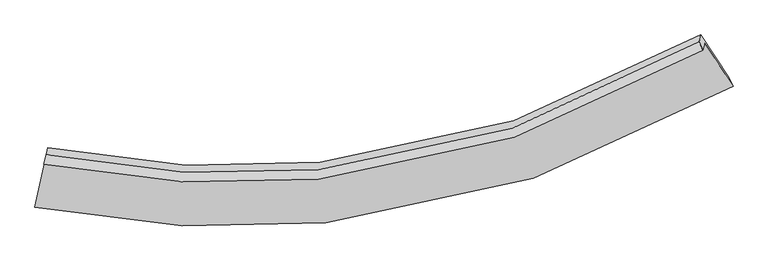
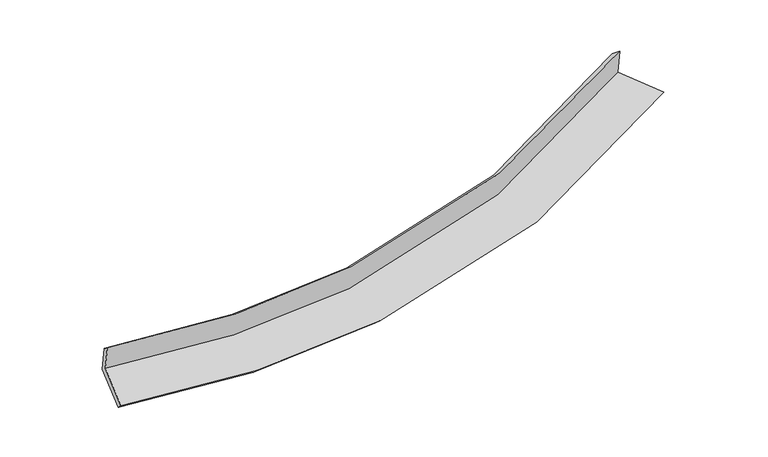
"""IFC4 building model written with IfcOpenShell, lengths in millimetres: proxy geometry."""

import ifcopenshell
import ifcopenshell.guid

model = None  # the IFC model being written
_history = None  # IfcOwnerHistory: only IFC2X3 demands one
_inside = {}  # id of a spatial element -> (the spatial element, [elements in it])
_under = {}  # id of a project, library or spatial element -> (it, [spatial elements below it])
_declared = {}  # id of a project -> (the project, [libraries it declares])
_typed = {}  # id of a type object -> (the type object, [elements of that type])
_made_of = {}  # id of a material, layer set ... -> (it, [elements and type objects made of it])


def new_model(schema):
    """Start an empty IFC model of exactly this schema.

    Asked for "IFC4X3", IfcOpenShell would pick the latest addendum, in which some entities
    have other attributes; the version numbers below select the first issue.
    IFC2X3 requires an IfcOwnerHistory on every rooted entity: one is made here for all.
    """
    global model, _history
    if schema == "IFC4X3":
        model = ifcopenshell.file(schema_version=(4, 3, 0, 0))
    else:
        model = ifcopenshell.file(schema=schema)
    _inside.clear()
    _under.clear()
    _declared.clear()
    _typed.clear()
    _made_of.clear()
    _history = None
    if model.schema == "IFC2X3":
        org = make("IfcOrganization", Name="unknown")
        user = make(
            "IfcPersonAndOrganization",
            ThePerson=make("IfcPerson", FamilyName="unknown"),
            TheOrganization=org,
        )
        app = make(
            "IfcApplication",
            ApplicationDeveloper=org,
            Version="unknown",
            ApplicationFullName="unknown",
            ApplicationIdentifier="unknown",
        )
        _history = make(
            "IfcOwnerHistory",
            OwningUser=user,
            OwningApplication=app,
            ChangeAction="ADDED",
            CreationDate=0,
        )
    return model


def make(cls, **values):
    """One entity of the class cls with the attributes given. An attribute that is None is left unset."""
    return model.create_entity(
        cls, **{name: value for name, value in values.items() if value is not None}
    )


def rooted(cls, **values):
    """An entity with a GlobalId (a new one), such as an element, a storey or a relation."""
    return make(cls, GlobalId=ifcopenshell.guid.new(), OwnerHistory=_history, **values)


def si_unit(unit_type, name, prefix=None):
    """IfcSIUnit, for example si_unit("LENGTHUNIT", "METRE", prefix="MILLI")."""
    return make("IfcSIUnit", UnitType=unit_type, Prefix=prefix, Name=name)


def assignment(units):
    """IfcUnitAssignment: the units of a project."""
    return None if units is None else make("IfcUnitAssignment", Units=units)


def point(xyz):
    """IfcCartesianPoint."""
    return None if xyz is None else make("IfcCartesianPoint", Coordinates=xyz)


def direction(xyz):
    """IfcDirection."""
    return None if xyz is None else make("IfcDirection", DirectionRatios=xyz)


def frame(location, z_axis=None, x_axis=None):
    """IfcAxis2Placement3D, a coordinate frame: its origin and axes. An axis left out is left unset."""
    return make(
        "IfcAxis2Placement3D",
        Location=point(location),
        Axis=direction(z_axis),
        RefDirection=direction(x_axis),
    )


def origin():
    """The frame at (0, 0, 0) with its axes left unset."""
    return frame((0.0, 0.0, 0.0))


def place(relative_to, where):
    """IfcLocalPlacement: puts the frame where relative to a parent placement (None: the world)."""
    return make(
        "IfcLocalPlacement", PlacementRelTo=relative_to, RelativePlacement=where
    )


def context(
    kind, dimensions, precision=None, world=None, true_north=None, identifier=None
):
    """IfcGeometricRepresentationContext, for example the 3D "Model" context."""
    return make(
        "IfcGeometricRepresentationContext",
        ContextIdentifier=identifier,
        ContextType=kind,
        CoordinateSpaceDimension=dimensions,
        Precision=precision,
        WorldCoordinateSystem=world,
        TrueNorth=true_north,
    )


def project(units=None, contexts=None):
    """IfcProject with its units and contexts."""
    return rooted(
        "IfcProject",
        Name="project",
        RepresentationContexts=contexts,
        UnitsInContext=assignment(units),
    )


def spatial(cls, under=None, at=None, **own):
    """A site, building, storey or space (cls), placed at a placement, below another one or the project."""
    s = rooted(cls, ObjectPlacement=at, **own)
    if under is not None:
        _under.setdefault(under.id(), (under, []))[1].append(s)
    return s


def shape(context_of_items, identifier, shape_type, items):
    """IfcShapeRepresentation: the items that make up one representation, for example the "Body"."""
    return make(
        "IfcShapeRepresentation",
        ContextOfItems=context_of_items,
        RepresentationIdentifier=identifier,
        RepresentationType=shape_type,
        Items=items,
    )


def source(mapping_origin, context_of_items, identifier, shape_type, items):
    """IfcRepresentationMap: a shape defined once, which mapped items show again and again."""
    return make(
        "IfcRepresentationMap",
        MappingOrigin=mapping_origin,
        MappedRepresentation=shape(context_of_items, identifier, shape_type, items),
    )


def transform(
    local_origin,
    x_axis=None,
    y_axis=None,
    z_axis=None,
    scale=None,
    scale2=None,
    scale3=None,
    uniform=True,
):
    """IfcCartesianTransformationOperator3D, or its non-uniform kind. x_axis, y_axis, z_axis: its Axis1, 2, 3."""
    if uniform:
        return make(
            "IfcCartesianTransformationOperator3D",
            Axis1=direction(x_axis),
            Axis2=direction(y_axis),
            LocalOrigin=point(local_origin),
            Scale=scale,
            Axis3=direction(z_axis),
        )
    return make(
        "IfcCartesianTransformationOperator3DnonUniform",
        Axis1=direction(x_axis),
        Axis2=direction(y_axis),
        LocalOrigin=point(local_origin),
        Scale=scale,
        Axis3=direction(z_axis),
        Scale2=scale2,
        Scale3=scale3,
    )


def mapped(mapping_source, mapping_target):
    """IfcMappedItem: shows the shape of a source again, moved by a transform."""
    return make(
        "IfcMappedItem", MappingSource=mapping_source, MappingTarget=mapping_target
    )


def made_of(thing, what):
    """Note that an element or type object is made of a material, layer set ...; save() writes the relation."""
    if what is not None:
        _made_of.setdefault(what.id(), (what, []))[1].append(thing)
    return thing


def element(
    cls,
    number,
    at=None,
    inside=None,
    cuts=None,
    type_object=None,
    material=None,
    context=None,
    identifier="Body",
    shape_type=None,
    held_by="IfcProductDefinitionShape",
    body=None,
    shapes=None,
    **own,
):
    """One element of the class cls, such as IfcWall. Its Tag is "e" and its number.

    at: its placement. inside: the storey or other place that contains it. cuts: it is an
    opening in that element (IfcRelVoidsElement). A single representation is given by context,
    identifier, shape_type and body (its items); several are given by shapes. held_by: the class
    of the entity that holds the representations. save() writes the other relations.
    """
    e = rooted(cls, Tag="e%d" % number, ObjectPlacement=at, **own)
    if body is not None:
        shapes = [shape(context, identifier, shape_type, body)]
    if shapes is not None:
        e.Representation = make(held_by, Representations=shapes)
    if inside is not None:
        _inside.setdefault(inside.id(), (inside, []))[1].append(e)
    if cuts is not None:
        rooted(
            "IfcRelVoidsElement", RelatingBuildingElement=cuts, RelatedOpeningElement=e
        )
    if type_object is not None:
        _typed.setdefault(type_object.id(), (type_object, []))[1].append(e)
    return made_of(e, material)


def aggregate(whole, parts):
    """IfcRelAggregates: a whole, such as a stair, and the parts it consists of."""
    return rooted("IfcRelAggregates", RelatingObject=whole, RelatedObjects=parts)


def save(model, path):
    """Write the relations noted so far, then the file.

    IfcRelAggregates (storeys below a building ...), IfcRelContainedInSpatialStructure (elements
    in a storey), IfcRelDefinesByType, IfcRelAssociatesMaterial and IfcRelDeclares: one each for
    every whole, place, type object, material and project.
    """
    for whole, parts in _under.values():
        aggregate(whole, parts)
    for where, things in _inside.values():
        rooted(
            "IfcRelContainedInSpatialStructure",
            RelatedElements=things,
            RelatingStructure=where,
        )
    for kind, things in _typed.values():
        rooted("IfcRelDefinesByType", RelatedObjects=things, RelatingType=kind)
    for what, things in _made_of.values():
        rooted("IfcRelAssociatesMaterial", RelatedObjects=things, RelatingMaterial=what)
    for by, libraries in _declared.values():
        rooted("IfcRelDeclares", RelatingContext=by, RelatedDefinitions=libraries)
    model.write(path)


def plane_surface(at):
    """IfcPlane: the flat surface through the origin of the frame at, square to its z axis."""
    return make("IfcPlane", Position=at)


def spline_curve(degree, points, multiplicities, knots, weights=None):
    """IfcBSplineCurveWithKnots; with weights, IfcRationalBSplineCurveWithKnots."""
    own = dict(
        Degree=degree,
        ControlPointsList=[point(p) for p in points],
        CurveForm="UNSPECIFIED",
        ClosedCurve=False,
        SelfIntersect=False,
        KnotMultiplicities=multiplicities,
        Knots=knots,
        KnotSpec="UNSPECIFIED",
    )
    if weights is None:
        return make("IfcBSplineCurveWithKnots", **own)
    return make("IfcRationalBSplineCurveWithKnots", WeightsData=weights, **own)


def spline_surface(u_degree, v_degree, points, u_multiplicities, v_multiplicities, u_knots, v_knots, weights=None):
    """IfcBSplineSurfaceWithKnots; with weights, IfcRationalBSplineSurfaceWithKnots. points: one row for each step in u."""
    own = dict(
        UDegree=u_degree,
        VDegree=v_degree,
        ControlPointsList=[[point(p) for p in row] for row in points],
        SurfaceForm="UNSPECIFIED",
        UClosed=False,
        VClosed=False,
        SelfIntersect=False,
        UMultiplicities=u_multiplicities,
        VMultiplicities=v_multiplicities,
        UKnots=u_knots,
        VKnots=v_knots,
        KnotSpec="UNSPECIFIED",
    )
    if weights is None:
        return make("IfcBSplineSurfaceWithKnots", **own)
    return make("IfcRationalBSplineSurfaceWithKnots", WeightsData=weights, **own)


def advanced_brep(points, edges, surfaces, faces):
    """IfcAdvancedBrep: a solid bounded by faces that lie on surfaces and meet in shared edges.

    An edge is (start, end): straight between two places in points (the first is 0);
    or (start, end, curve); or (start, end, curve, False) where it runs against its curve.
    A face is (place in surfaces, loops), or (place, loops, False) where it looks against
    its surface's normal. A loop lists edges by number (the first is 1), with a minus sign
    where the edge is run from its end to its start. The first loop is the outer one.
    """
    corners = [point(p) for p in points]
    vertices = [make("IfcVertexPoint", VertexGeometry=c) for c in corners]
    made = []
    for start, end, *more in edges:
        made.append(
            make(
                "IfcEdgeCurve",
                EdgeStart=vertices[start],
                EdgeEnd=vertices[end],
                EdgeGeometry=more[0] if more else make("IfcPolyline", Points=[corners[start], corners[end]]),
                SameSense=more[1] if len(more) > 1 else True,
            )
        )
    hull = []
    for where, loops, *sense in faces:
        bounds = []
        for j, loop in enumerate(loops):
            ring = [make("IfcOrientedEdge", EdgeElement=made[abs(k) - 1], Orientation=k > 0) for k in loop]
            bounds.append(
                make(
                    "IfcFaceOuterBound" if j == 0 else "IfcFaceBound",
                    Bound=make("IfcEdgeLoop", EdgeList=ring),
                    Orientation=True,
                )
            )
        hull.append(make("IfcAdvancedFace", Bounds=bounds, FaceSurface=surfaces[where], SameSense=sense[0] if sense else True))
    return make("IfcAdvancedBrep", Outer=make("IfcClosedShell", CfsFaces=hull))


def generic_models_8a4b3543(model_context):
    return source(origin(), model_context, "Body", "AdvancedBrep", [
        advanced_brep(
        [(-3980.1085935, -1899.9416791, 1615.623977), (-4116.5443157, -2532.3254715, 1461.403001), (4748.6911992, -997.3454507, 2306.6506554), (4389.1596281, -449.2770473, 2412.2094072), (-4002.3628111, -1987.4172765, 1994.0058401), (4366.1147024, -539.860715, 2804.035448), (-3975.3078379, -1866.566978, 1907.431679), (4317.7132473, -432.8350252, 2716.4236236), (-3952.0485912, -1775.1408698, 1511.9616027), (4340.570933, -342.9873497, 2327.7811694), (-4089.514017, -2412.29737, 1356.5766948), (4691.8388325, -878.4586472, 2224.648638)],
        [
            (0, 1),
            (1, 2, spline_curve(3, [(-4116.5443157, -2532.3254715, 1461.403001), (-2856.808596878, -2778.621607064, 1466.047508074), (-1625.400617863, -2842.906309584, 1514.462712471), (1363.786515455, -2550.401107817, 1743.508875492), (3087.457041571, -1974.456398124, 1976.842889041), (4748.6911992, -997.3454507, 2306.6506554)], [4, 2, 4], [0.0, 11.814312395536811, 29.353977782160918])),
            (2, 3),
            (3, 0, spline_curve(3, [(4389.1596281, -449.2770473, 2412.2094072), (2820.944681746, -1371.917957578, 2100.465056422), (1193.737893446, -1915.905242038, 1880.192503229), (-1628.245084217, -2192.603824809, 1664.634542901), (-2790.794369387, -2132.171417477, 1619.378619038), (-3980.1085935, -1899.9416791, 1615.623977)], [4, 2, 4], [0.0, 17.539665386624108, 29.353977782160918])),
            (4, 0),
            (3, 5),
            (5, 4, spline_curve(3, [(4366.1147024, -539.860715, 2804.035448), (2797.312807349, -1464.808771182, 2502.270820629), (1169.963887552, -2009.35473537, 2284.414874307), (-1651.512518662, -2284.062117114, 2060.24383474), (-2813.65610403, -2222.035007243, 2008.089911391), (-4002.3628111, -1987.4172765, 1994.0058401)], [4, 2, 4], [0.0, 17.034952460847386, 28.50930191845159])),
            (6, 4),
            (5, 7),
            (7, 6, spline_curve(3, [(4317.7132473, -432.8350252, 2716.4236236), (2763.921835616, -1351.969234565, 2409.247775581), (1151.594448606, -1892.529974538, 2189.337428939), (-1644.72377979, -2163.628119852, 1967.34608843), (-2796.736754031, -2100.978030665, 1917.592453247), (-3975.3078379, -1866.566978, 1907.431679)], [4, 2, 4], [0.0, 16.96050466815774, 28.384707816775663])),
            (8, 6),
            (7, 9),
            (9, 8, spline_curve(3, [(4340.570933, -342.9873497, 2327.7811694), (2787.289225492, -1260.118043281, 2011.938972843), (1175.214772894, -1799.684562744, 1787.72805404), (-1621.109873147, -2070.807935546, 1565.845837768), (-2773.241928708, -2008.625922908, 1518.116900945), (-3952.0485912, -1775.1408698, 1511.9616027)], [4, 2, 4], [0.0, 16.886162705317815, 28.26029082948527])),
            (10, 8),
            (9, 11),
            (11, 10, spline_curve(3, [(4691.8388325, -878.4586472, 2224.648638), (3050.833402901, -1860.777778543, 1888.576559703), (1345.287449986, -2438.682837162, 1650.004958439), (-1617.088282508, -2729.033333106, 1413.911593548), (-2838.659946023, -2662.407848672, 1363.12587979), (-4089.514017, -2412.29737, 1356.5766948)], [4, 2, 4], [0.0, 17.390895049372276, 29.104999191174507])),
            (1, 10),
            (11, 2),
        ],
        [
            spline_surface(3, 3, [[(-3980.1085935, -1899.9416791, 1615.623977), (-2790.794369455, -2132.171417416, 1619.378619133), (-1628.245084221, -2192.603824799, 1664.634542902), (1193.737893451, -1915.905242053, 1880.192503227), (2820.944682032, -1371.917957445, 2100.465056196), (4389.1596281, -449.2770473, 2412.2094072)], [(-4025.587167559, -2110.736276565, 1564.216984996), (-2812.799111884, -2347.65481396, 1568.268248786), (-1627.296928772, -2409.371319749, 1614.577266126), (1250.420767482, -2127.403863986, 1834.631293868), (2909.782135209, -1572.764104423, 2059.257667063), (4509.003485113, -631.966515118, 2377.023156587)], [(-4071.065741641, -2321.530874035, 1512.809993004), (-2834.803854337, -2563.138210508, 1517.15787845), (-1626.348773352, -2626.138814646, 1564.519989427), (1307.103641483, -2338.902485865, 1789.070084585), (2998.619588445, -1773.610251345, 2018.05027797), (4628.847342187, -814.655982882, 2341.836906013)], [(-4116.5443157, -2532.3254715, 1461.403001), (-2856.808596766, -2778.621607052, 1466.047508103), (-1625.400617903, -2842.906309597, 1514.46271265), (1363.786515514, -2550.401107798, 1743.508875226), (3087.457041622, -1974.456398322, 1976.842888837), (4748.6911992, -997.3454507, 2306.6506554)]], [4, 4], [4, 2, 4], [0.0, 2.1768786189106746], [0.0, 11.814312395536811, 29.353977782160918]),
            spline_surface(3, 3, [[(-4002.3628111, -1987.4172765, 1994.0058401), (-2813.656103914, -2222.035007119, 2008.089911288), (-1651.512518773, -2284.062117174, 2060.243834571), (1169.963887716, -2009.354735281, 2284.414874558), (2797.312807112, -1464.808771354, 2502.270820568), (4366.1147024, -539.860715, 2804.035448)], [(-3994.94473859, -1958.258744051, 1867.878552398), (-2806.035525784, -2192.080477235, 1878.519480567), (-1643.756707258, -2253.576019686, 1928.374070702), (1177.888556292, -1978.204904175, 2149.674084135), (2805.190098775, -1433.845166694, 2368.335565768), (4373.796344322, -509.666159077, 2673.426767724)], [(-3987.52666601, -1929.100211549, 1741.751264702), (-2798.414947585, -2162.1259473, 1748.949049854), (-1636.000895736, -2223.089922287, 1796.504306771), (1185.813224875, -1947.055073159, 2014.93329365), (2813.06739037, -1402.881562105, 2234.400310995), (4381.477986178, -479.471603223, 2542.818087476)], [(-3980.1085935, -1899.9416791, 1615.623977), (-2790.794369455, -2132.171417416, 1619.378619133), (-1628.245084221, -2192.603824799, 1664.634542902), (1193.737893451, -1915.905242053, 1880.192503227), (2820.944682032, -1371.917957445, 2100.465056196), (4389.1596281, -449.2770473, 2412.2094072)]], [4, 4], [4, 2, 4], [0.0, 1.3525023032859318], [0.0, 11.474349457604205, 28.50930191845159]),
            spline_surface(3, 3, [[(-3975.3078379, -1866.566978, 1907.431679), (-2796.736754063, -2100.978030737, 1917.592453303), (-1644.723779682, -2163.628119907, 1967.34608834), (1151.594448446, -1892.529974457, 2189.337429073), (2763.921835774, -1351.969234355, 2409.247775584), (4317.7132473, -432.8350252, 2716.4236236)], [(-3984.326162279, -1906.850410836, 1936.289732693), (-2802.376537326, -2141.3303562, 1947.758272624), (-1646.986692721, -2203.772785673, 1998.312003753), (1157.71759486, -1931.471561409, 2221.029910904), (2775.052159543, -1389.582413377, 2440.255457249), (4333.847065656, -468.510255156, 2745.62756507)], [(-3993.344486721, -1947.133843664, 1965.147786407), (-2808.016320652, -2181.682681656, 1977.924091967), (-1649.249605733, -2243.917451408, 2029.277919157), (1163.840741302, -1970.41314833, 2252.722392727), (2786.182483343, -1427.195592331, 2471.263138903), (4349.980884044, -504.185485044, 2774.83150653)], [(-4002.3628111, -1987.4172765, 1994.0058401), (-2813.656103914, -2222.035007119, 2008.089911288), (-1651.512518773, -2284.062117174, 2060.243834571), (1169.963887716, -2009.354735281, 2284.414874558), (2797.312807112, -1464.808771354, 2502.270820568), (4366.1147024, -539.860715, 2804.035448)]], [4, 4], [4, 2, 4], [0.0, 0.4959340437297839], [0.0, 11.424203148617924, 28.384707816775663]),
            spline_surface(3, 3, [[(-3952.0485912, -1775.1408698, 1511.9616027), (-2773.241928587, -2008.625923042, 1518.116900907), (-1621.109873211, -2070.80793572, 1565.84583781), (1175.214772989, -1799.684562485, 1787.728053979), (2787.289225631, -1260.11804309, 2011.9389727), (4340.570933, -342.9873497, 2327.7811694)], [(-3959.801673437, -1805.616239199, 1643.78496146), (-2781.073537082, -2039.409958939, 1651.275418366), (-1628.981175357, -2101.747997135, 1699.679254646), (1167.341331486, -1830.633033162, 1921.59784567), (2779.500095664, -1290.735106834, 2144.375240343), (4332.951704418, -372.936574856, 2457.328654148)], [(-3967.554755663, -1836.091608601, 1775.60832024), (-2788.905145568, -2070.19399484, 1784.433935845), (-1636.852477536, -2132.688058492, 1833.512671503), (1159.46788995, -1861.58150378, 2055.467637382), (2771.710965741, -1321.35217061, 2276.811507941), (4325.332475882, -402.885800044, 2586.876138852)], [(-3975.3078379, -1866.566978, 1907.431679), (-2796.736754063, -2100.978030737, 1917.592453303), (-1644.723779682, -2163.628119907, 1967.34608834), (1151.594448446, -1892.529974457, 2189.337429073), (2763.921835774, -1351.969234355, 2409.247775584), (4317.7132473, -432.8350252, 2716.4236236)]], [4, 4], [4, 2, 4], [0.0, 1.3532977604327936], [0.0, 11.374128124167456, 28.26029082948527]),
            spline_surface(3, 3, [[(-4089.514017, -2412.29737, 1356.5766948), (-2838.659946194, -2662.407848644, 1363.125879952), (-1617.088282591, -2729.033333026, 1413.911593445), (1345.287450109, -2438.68283728, 1650.004958592), (3050.833403019, -1860.777778639, 1888.576559534), (4691.8388325, -878.4586472, 2224.648638)], [(-4043.69220842, -2199.911869913, 1408.371664102), (-2816.853940345, -2444.480540089, 1414.789553606), (-1618.428812787, -2509.624867255, 1464.55634158), (1288.596557746, -2225.683412346, 1695.912657068), (2962.985343901, -1660.557866781, 1929.697363913), (4574.749532678, -699.968214692, 2259.026148457)], [(-3997.87039978, -1987.526369887, 1460.166633398), (-2795.047934436, -2226.553231597, 1466.453227253), (-1619.769343014, -2290.216401491, 1515.201089674), (1231.905665352, -2012.683987419, 1741.820355503), (2875.13728475, -1460.337954948, 1970.818168321), (4457.660232822, -521.477782208, 2293.403658943)], [(-3952.0485912, -1775.1408698, 1511.9616027), (-2773.241928587, -2008.625923042, 1518.116900907), (-1621.109873211, -2070.80793572, 1565.84583781), (1175.214772989, -1799.684562485, 1787.728053979), (2787.289225631, -1260.11804309, 2011.9389727), (4340.570933, -342.9873497, 2327.7811694)]], [4, 4], [4, 2, 4], [0.0, 2.194207658555261], [0.0, 11.71410414180223, 29.104999191174507]),
            spline_surface(3, 3, [[(-4116.5443157, -2532.3254715, 1461.403001), (-2856.808596766, -2778.621607052, 1466.047508103), (-1625.400617903, -2842.906309597, 1514.46271265), (1363.786515514, -2550.401107798, 1743.508875226), (3087.457041622, -1974.456398322, 1976.842888837), (4748.6911992, -997.3454507, 2306.6506554)], [(-4107.534216116, -2492.316104337, 1426.460898952), (-2850.759046558, -2739.883687587, 1431.740298738), (-1622.629839485, -2804.948650725, 1480.94567291), (1357.62016036, -2513.161684277, 1712.34090301), (3075.2491621, -1936.563525095, 1947.420779082), (4729.740410312, -957.716516201, 2279.316649613)], [(-4098.524116584, -2452.306737163, 1391.518796848), (-2844.709496402, -2701.14576811, 1397.433089317), (-1619.859061009, -2766.990991898, 1447.428633184), (1351.453805264, -2475.922260801, 1681.172930808), (3063.041282541, -1898.670651866, 1917.998669288), (4710.789621388, -918.087581699, 2251.982643787)], [(-4089.514017, -2412.29737, 1356.5766948), (-2838.659946194, -2662.407848644, 1363.125879952), (-1617.088282591, -2729.033333026, 1413.911593445), (1345.287450109, -2438.68283728, 1650.004958592), (3050.833403019, -1860.777778639, 1888.576559534), (4691.8388325, -878.4586472, 2224.648638)]], [4, 4], [4, 2, 4], [0.0, 0.4858578032073557], [0.0, 12.10409312659766, 30.073970351891166]),
            plane_surface(frame((4475.6814238, -606.7940392, 2465.2914903), z_axis=(0.8387315511540979, 0.5176557442054256, 0.16900270882375842), x_axis=(-0.057208962237477484, -0.22487369588827127, 0.9727070245131677))),
            plane_surface(frame((-4019.3143611, -2078.9482741, 1641.1671325), z_axis=(-0.977057699575049, 0.21281430800194576, -0.008265712961769804), x_axis=(0.20514723088753645, 0.950863760592021, 0.23188946170961625))),
        ],
        [
            (0, [[1, 2, 3, 4]]),
            (1, [[5, -4, 6, 7]]),
            (2, [[8, -7, 9, 10]]),
            (3, [[11, -10, 12, 13]]),
            (4, [[14, -13, 15, 16]]),
            (5, [[17, -16, 18, -2]]),
            (6, [[-12, -9, -6, -3, -18, -15]]),
            (7, [[-1, -5, -8, -11, -14, -17]]),
        ],
    ),
    ])


if __name__ == "__main__":
    model = new_model("IFC4")
    model_context = context("Model", 3, world=origin())
    ifc_project = project(units=[si_unit("LENGTHUNIT", "METRE", prefix="MILLI")], contexts=[model_context])
    site = spatial("IfcSite", under=ifc_project)
    building = spatial("IfcBuilding", under=site)
    placement = place(None, origin())
    generic_models_shape = generic_models_8a4b3543(model_context)
    element("IfcBuildingElementProxy", 1, Name="Generic Models", at=placement, inside=building, context=model_context, shape_type="MappedRepresentation", body=[
        mapped(generic_models_shape, transform((0.0, 0.0, 0.0), x_axis=(1.0, 0.0, 0.0), y_axis=(0.0, 1.0, 0.0), z_axis=(0.0, 0.0, 1.0))),
    ])
    save(model, "model.ifc")
